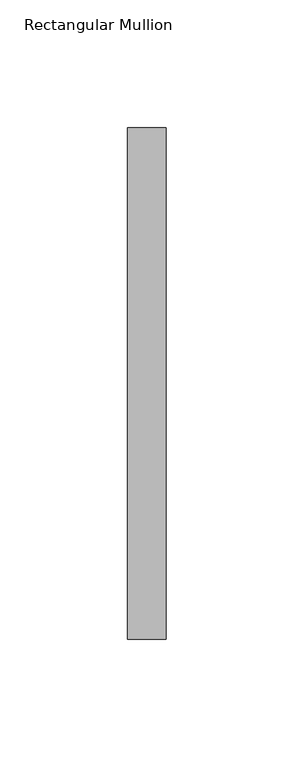
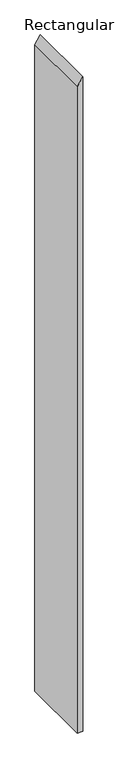
"""IFC4 building model written with IfcOpenShell, lengths in millimetres: member geometry, Rectangular Mullion."""

from ifc_helpers import new_model, si_unit, frame, origin, place, context, project, spatial, polyline, outline, extrude, source, transform, mapped, element, save


def rectangular_mullion_ab5a9123(model_context):
    return source(origin(), model_context, "Body", "SweptSolid", [
        extrude(outline(polyline([(0.0, 0.0), (-22.8079257, -15.0), (-1887.6216807, -15.0), (-1887.6216807, 0.0), (0.0, 0.0)])), frame((0.0, 53.0, 0.0), z_axis=(0.0, 1.0, 0.0), x_axis=(0.0, 0.0, 1.0)), (0.0, 0.0, 1.0), 200.0),
    ])


if __name__ == "__main__":
    model = new_model("IFC4")
    model_context = context("Model", 3, world=origin())
    ifc_project = project(units=[si_unit("LENGTHUNIT", "METRE", prefix="MILLI")], contexts=[model_context])
    site = spatial("IfcSite", under=ifc_project)
    building = spatial("IfcBuilding", under=site)
    placement = place(None, origin())
    rectangular_mullion_shape = rectangular_mullion_ab5a9123(model_context)
    element("IfcMember", 1, ObjectType="Rectangular Mullion", at=placement, inside=building, context=model_context, shape_type="MappedRepresentation", body=[
        mapped(rectangular_mullion_shape, transform((0.0, 0.0, 0.0), x_axis=(1.0, 0.0, 0.0), y_axis=(0.0, 1.0, 0.0), z_axis=(0.0, 0.0, 1.0))),
    ])
    save(model, "model.ifc")
